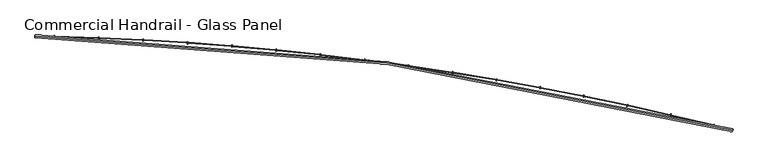
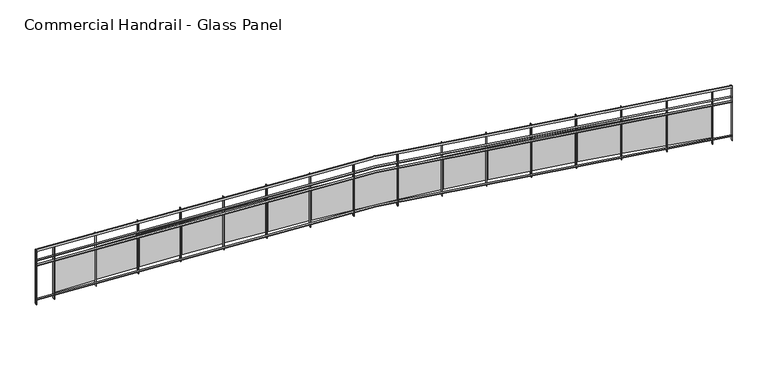
"""IFC4 building model written with IfcOpenShell, lengths in millimetres: railing geometry, Commercial Handrail - Glass Panel."""

from ifc_helpers import new_model, si_unit, point, frame, origin, place, context, project, spatial, polyline, circle_curve, ellipse_curve, trimmed, outline, extrude, source, transform, mapped, element, save
from ifc_brep_helpers import plane_surface, cylinder_surface, revolved_surface, advanced_brep


def commercial_handrail_glass_panel_4a2e8c11(model_context):
    return source(origin(), model_context, "Body", "SolidModel", [
        advanced_brep(
        [(127651.4463587, -32615.5815285, 6082.5), (140199.431702, -34306.4790783, 6082.5), (140199.431702, -34306.4790783, 6117.5), (127651.4463587, -32615.5815285, 6117.5)],
        [
            (0, 1, circle_curve(frame((126699.3049554, -87085.4645407, 6082.5), z_axis=(0.0, 0.0, -1.0), x_axis=(0.24780785186476648, 0.9688092013158061, 0.0)), 54478.2041611)),
            (1, 2, ellipse_curve(frame((140199.431702, -34306.4790783, 6100.0), z_axis=(-0.9688092013158076, 0.2478078518647603, 0.0), x_axis=(0.2478078518647603, 0.9688092013158076, 0.0)), 25.0, 17.5)),
            (2, 3, circle_curve(frame((126699.3049554, -87085.4645407, 6117.5), z_axis=(0.0, 0.0, 1.0), x_axis=(0.24780785186476648, 0.9688092013158061, 0.0)), 54478.2041611)),
            (3, 0, ellipse_curve(frame((127651.4463587, -32615.5815285, 6100.0), z_axis=(0.9998472572840302, -0.017477474119629965, 0.0), x_axis=(0.017477474119629965, 0.9998472572840302, 0.0)), 25.0, 17.5)),
            (2, 1, ellipse_curve(frame((140199.431702, -34306.4790783, 6100.0), z_axis=(-0.9688092013158076, 0.2478078518647603, 0.0), x_axis=(0.2478078518647603, 0.9688092013158076, 0.0)), 25.0, 17.5)),
            (0, 3, ellipse_curve(frame((127651.4463587, -32615.5815285, 6100.0), z_axis=(0.9998472572840302, -0.017477474119629965, 0.0), x_axis=(0.017477474119629965, 0.9998472572840302, 0.0)), 25.0, 17.5)),
        ],
        [
            revolved_surface(trimmed(ellipse_curve(frame((140199.431702, -34306.4790783, 6100.0), z_axis=(0.9688092013158061, -0.24780785186476648, 0.0), x_axis=(0.0, 0.0, -1.0)), 17.5, 25.0), [point((140199.431702, -34306.4790783, 6117.5))], [point((140199.431702, -34306.4790783, 6082.5))], True, "CARTESIAN"), (126699.3049554, -87085.4645407, 6100.0), (0.0, 0.0, 1.0)),
            revolved_surface(trimmed(ellipse_curve(frame((140199.431702, -34306.4790783, 6100.0), z_axis=(0.9688092013158061, -0.24780785186476648, 0.0), x_axis=(0.0, 0.0, -1.0)), 17.5, 25.0), [point((140199.431702, -34306.4790783, 6082.5))], [point((140199.431702, -34306.4790783, 6117.5))], True, "CARTESIAN"), (126699.3049554, -87085.4645407, 6100.0), (0.0, 0.0, 1.0)),
            plane_surface(frame((140199.431702, -34306.4790783, 6100.0), z_axis=(0.9688092013158061, -0.24780785186476648, 0.0), x_axis=(0.24780785186476648, 0.9688092013158061, 0.0))),
            plane_surface(frame((127651.4463587, -32615.5815285, 6100.0), z_axis=(-0.9998472572840302, 0.01747747411963012, 0.0), x_axis=(0.01747747411963012, 0.9998472572840302, 0.0))),
        ],
        [
            (0, [[1, 2, 3, 4]]),
            (1, [[-3, 5, -1, 6]]),
            (2, [[-2, -5]]),
            (3, [[-6, -4]]),
        ],
    ),
        advanced_brep(
        [(127651.0531155, -32638.0780917, 5900.0), (140193.8560253, -34328.2772853, 5900.0), (140205.0073787, -34284.6808712, 5900.0), (127651.8396019, -32593.0849652, 5900.0), (127651.0531155, -32638.0780917, 5894.0), (140193.8560253, -34328.2772853, 5894.0), (127651.8396019, -32593.0849652, 5894.0), (140205.0073787, -34284.6808712, 5894.0)],
        [
            (0, 1, circle_curve(frame((126699.3049554, -87085.4645407, 5900.0), z_axis=(0.0, 0.0, -1.0), x_axis=(0.24780785186476648, 0.9688092013158061, 0.0)), 54455.7041611)),
            (1, 2),
            (2, 3, circle_curve(frame((126699.3049554, -87085.4645407, 5900.0), z_axis=(0.0, 0.0, 1.0), x_axis=(0.24780785186476648, 0.9688092013158061, 0.0)), 54500.7041611)),
            (3, 0),
            (4, 5, circle_curve(frame((126699.3049554, -87085.4645407, 5894.0), z_axis=(0.0, 0.0, -1.0), x_axis=(0.24780785186476648, 0.9688092013158061, 0.0)), 54455.7041611)),
            (5, 1),
            (0, 4),
            (6, 7, circle_curve(frame((126699.3049554, -87085.4645407, 5894.0), z_axis=(0.0, 0.0, -1.0), x_axis=(0.24780785186476648, 0.9688092013158061, 0.0)), 54500.7041611)),
            (7, 5),
            (4, 6),
            (2, 7),
            (6, 3),
        ],
        [
            plane_surface(frame((126699.3049554, -87085.4645407, 5900.0), z_axis=(0.0, 0.0, 1.0000000000000002), x_axis=(0.24780785186476648, 0.9688092013158061, 0.0))),
            revolved_surface(polyline([(140193.85602534542, -34328.2772852949, 5900.0), (140193.85602534542, -34328.2772852949, 5894.0)]), (126699.3049554, -87085.4645407, 5900.0), (0.0, 0.0, 1.0)),
            plane_surface(frame((126699.3049554, -87085.4645407, 5894.0), z_axis=(0.0, 0.0, -1.0000000000000002), x_axis=(0.24780785186476648, 0.9688092013158061, 0.0))),
            cylinder_surface(frame((126699.3049554, -87085.4645407, 5900.0), z_axis=(0.0, 0.0, 1.0), x_axis=(0.24780785186476648, 0.9688092013158061, 0.0)), 54500.7041611),
            plane_surface(frame((140199.431702, -34306.4790783, 5900.0), z_axis=(0.9688092013158061, -0.24780785186476648, 0.0), x_axis=(0.24780785186476648, 0.9688092013158061, 0.0))),
            plane_surface(frame((127651.4463587, -32615.5815285, 5900.0), z_axis=(-0.9998472572840302, 0.01747747411963012, 0.0), x_axis=(0.01747747411963012, 0.9998472572840302, 0.0))),
        ],
        [
            (0, [[1, 2, 3, 4]]),
            (1, [[5, 6, -1, 7]]),
            (2, [[8, 9, -5, 10]]),
            (3, [[-3, 11, -8, 12]]),
            (4, [[-2, -6, -9, -11]]),
            (5, [[-12, -10, -7, -4]]),
        ],
    ),
        advanced_brep(
        [(127651.0531155, -32638.0780917, 5800.0), (140193.8560253, -34328.2772853, 5800.0), (140205.0073787, -34284.6808712, 5800.0), (127651.8396019, -32593.0849652, 5800.0), (127651.0531155, -32638.0780917, 5794.0), (140193.8560253, -34328.2772853, 5794.0), (127651.8396019, -32593.0849652, 5794.0), (140205.0073787, -34284.6808712, 5794.0)],
        [
            (0, 1, circle_curve(frame((126699.3049554, -87085.4645407, 5800.0), z_axis=(0.0, 0.0, -1.0), x_axis=(0.24780785186476648, 0.9688092013158061, 0.0)), 54455.7041611)),
            (1, 2),
            (2, 3, circle_curve(frame((126699.3049554, -87085.4645407, 5800.0), z_axis=(0.0, 0.0, 1.0), x_axis=(0.24780785186476648, 0.9688092013158061, 0.0)), 54500.7041611)),
            (3, 0),
            (4, 5, circle_curve(frame((126699.3049554, -87085.4645407, 5794.0), z_axis=(0.0, 0.0, -1.0), x_axis=(0.24780785186476648, 0.9688092013158061, 0.0)), 54455.7041611)),
            (5, 1),
            (0, 4),
            (6, 7, circle_curve(frame((126699.3049554, -87085.4645407, 5794.0), z_axis=(0.0, 0.0, -1.0), x_axis=(0.24780785186476648, 0.9688092013158061, 0.0)), 54500.7041611)),
            (7, 5),
            (4, 6),
            (2, 7),
            (6, 3),
        ],
        [
            plane_surface(frame((126699.3049554, -87085.4645407, 5800.0), z_axis=(0.0, 0.0, 1.0000000000000002), x_axis=(0.24780785186476648, 0.9688092013158061, 0.0))),
            revolved_surface(polyline([(140193.85602534542, -34328.2772852949, 5800.0), (140193.85602534542, -34328.2772852949, 5794.0)]), (126699.3049554, -87085.4645407, 5800.0), (0.0, 0.0, 1.0)),
            plane_surface(frame((126699.3049554, -87085.4645407, 5794.0), z_axis=(0.0, 0.0, -1.0000000000000002), x_axis=(0.24780785186476648, 0.9688092013158061, 0.0))),
            cylinder_surface(frame((126699.3049554, -87085.4645407, 5800.0), z_axis=(0.0, 0.0, 1.0), x_axis=(0.24780785186476648, 0.9688092013158061, 0.0)), 54500.7041611),
            plane_surface(frame((140199.431702, -34306.4790783, 5800.0), z_axis=(0.9688092013158061, -0.24780785186476648, 0.0), x_axis=(0.24780785186476648, 0.9688092013158061, 0.0))),
            plane_surface(frame((127651.4463587, -32615.5815285, 5800.0), z_axis=(-0.9998472572840302, 0.01747747411963012, 0.0), x_axis=(0.01747747411963012, 0.9998472572840302, 0.0))),
        ],
        [
            (0, [[1, 2, 3, 4]]),
            (1, [[5, 6, -1, 7]]),
            (2, [[8, 9, -5, 10]]),
            (3, [[-3, 11, -8, 12]]),
            (4, [[-2, -6, -9, -11]]),
            (5, [[-12, -10, -7, -4]]),
        ],
    ),
        advanced_brep(
        [(127651.0531155, -32638.0780917, 5100.0), (140193.8560253, -34328.2772853, 5100.0), (140205.0073787, -34284.6808712, 5100.0), (127651.8396019, -32593.0849652, 5100.0), (127651.0531155, -32638.0780917, 5094.0), (140193.8560253, -34328.2772853, 5094.0), (127651.8396019, -32593.0849652, 5094.0), (140205.0073787, -34284.6808712, 5094.0)],
        [
            (0, 1, circle_curve(frame((126699.3049554, -87085.4645407, 5100.0), z_axis=(0.0, 0.0, -1.0), x_axis=(0.24780785186476648, 0.9688092013158061, 0.0)), 54455.7041611)),
            (1, 2),
            (2, 3, circle_curve(frame((126699.3049554, -87085.4645407, 5100.0), z_axis=(0.0, 0.0, 1.0), x_axis=(0.24780785186476648, 0.9688092013158061, 0.0)), 54500.7041611)),
            (3, 0),
            (4, 5, circle_curve(frame((126699.3049554, -87085.4645407, 5094.0), z_axis=(0.0, 0.0, -1.0), x_axis=(0.24780785186476648, 0.9688092013158061, 0.0)), 54455.7041611)),
            (5, 1),
            (0, 4),
            (6, 7, circle_curve(frame((126699.3049554, -87085.4645407, 5094.0), z_axis=(0.0, 0.0, -1.0), x_axis=(0.24780785186476648, 0.9688092013158061, 0.0)), 54500.7041611)),
            (7, 5),
            (4, 6),
            (2, 7),
            (6, 3),
        ],
        [
            plane_surface(frame((126699.3049554, -87085.4645407, 5100.0), z_axis=(0.0, 0.0, 1.0000000000000002), x_axis=(0.24780785186476648, 0.9688092013158061, 0.0))),
            revolved_surface(polyline([(140193.85602534542, -34328.2772852949, 5100.0), (140193.85602534542, -34328.2772852949, 5094.0)]), (126699.3049554, -87085.4645407, 5100.0), (0.0, 0.0, 1.0)),
            plane_surface(frame((126699.3049554, -87085.4645407, 5094.0), z_axis=(0.0, 0.0, -1.0000000000000002), x_axis=(0.24780785186476648, 0.9688092013158061, 0.0))),
            cylinder_surface(frame((126699.3049554, -87085.4645407, 5100.0), z_axis=(0.0, 0.0, 1.0), x_axis=(0.24780785186476648, 0.9688092013158061, 0.0)), 54500.7041611),
            plane_surface(frame((140199.431702, -34306.4790783, 5100.0), z_axis=(0.9688092013158061, -0.24780785186476648, 0.0), x_axis=(0.24780785186476648, 0.9688092013158061, 0.0))),
            plane_surface(frame((127651.4463587, -32615.5815285, 5100.0), z_axis=(-0.9998472572840302, 0.01747747411963012, 0.0), x_axis=(0.01747747411963012, 0.9998472572840302, 0.0))),
        ],
        [
            (0, [[1, 2, 3, 4]]),
            (1, [[5, 6, -1, 7]]),
            (2, [[8, 9, -5, 10]]),
            (3, [[-3, 11, -8, 12]]),
            (4, [[-2, -6, -9, -11]]),
            (5, [[-12, -10, -7, -4]]),
        ],
    ),
        extrude(outline(polyline([(127999.9429631, -32600.2821162), (127998.871532, -32645.2693592), (127992.873233, -32645.1265018), (127993.944664, -32600.1392587), (127999.9429631, -32600.2821162)])), frame((0.0, 0.0, 5000.0), z_axis=(0.0, 0.0, 1.0), x_axis=(1.0, 0.0, 0.0)), (0.0, 0.0, 1.0), 1082.1192282),
        extrude(outline(polyline([(128775.8848547, -32651.5298851), (128016.2536473, -32627.856511), (128016.6274374, -32615.8623341), (128776.2586449, -32639.5357081), (128775.8848547, -32651.5298851)])), frame((0.0, 0.0, 5120.0), z_axis=(0.0, 0.0, 1.0), x_axis=(1.0, 0.0, 0.0)), (0.0, 0.0, 1.0), 660.0),
        extrude(outline(polyline([(128799.8764477, -32625.2555578), (128798.1445285, -32670.2222172), (128792.1489739, -32669.9912946), (128793.8808931, -32625.0246352), (128799.8764477, -32625.2555578)])), frame((0.0, 0.0, 5000.0), z_axis=(0.0, 0.0, 1.0), x_axis=(1.0, 0.0, 0.0)), (0.0, 0.0, 1.0), 1082.1192282),
        extrude(outline(polyline([(129574.982143, -32687.8919213), (128815.7804641, -32653.0664896), (128816.3303393, -32641.0790947), (129575.5320183, -32675.9045264), (129574.982143, -32687.8919213)])), frame((0.0, 0.0, 5120.0), z_axis=(0.0, 0.0, 1.0), x_axis=(1.0, 0.0, 0.0)), (0.0, 0.0, 1.0), 660.0),
        extrude(outline(polyline([(129599.3569679, -32661.9727253), (129596.964934, -32706.9091045), (129590.9734168, -32706.5901666), (129593.3654507, -32661.6537874), (129599.3569679, -32661.9727253)])), frame((0.0, 0.0, 5000.0), z_axis=(0.0, 0.0, 1.0), x_axis=(1.0, 0.0, 0.0)), (0.0, 0.0, 1.0), 1082.1192282),
        extrude(outline(polyline([(130373.4593242, -32735.9841766), (129614.850887, -32690.014197), (129615.5767288, -32678.0361691), (130374.185166, -32724.0061487), (130373.4593242, -32735.9841766)])), frame((0.0, 0.0, 5120.0), z_axis=(0.0, 0.0, 1.0), x_axis=(1.0, 0.0, 0.0)), (0.0, 0.0, 1.0), 660.0),
        extrude(outline(polyline([(130398.2121248, -32710.4257011), (130395.160492, -32755.3221101), (130389.1743042, -32754.9152257), (130392.2259369, -32710.0188167), (130398.2121248, -32710.4257011)])), frame((0.0, 0.0, 5000.0), z_axis=(0.0, 0.0, 1.0), x_axis=(1.0, 0.0, 0.0)), (0.0, 0.0, 1.0), 1082.1192282),
        extrude(outline(polyline([(131171.1442157, -32795.7962805), (130413.2926055, -32738.6916659), (130414.1942573, -32726.7255879), (131172.0458675, -32783.8302025), (131171.1442157, -32795.7962805)])), frame((0.0, 0.0, 5120.0), z_axis=(0.0, 0.0, 1.0), x_axis=(1.0, 0.0, 0.0)), (0.0, 0.0, 1.0), 660.0),
        extrude(outline(polyline([(131196.2696543, -32770.6040368), (131192.5590808, -32815.4507942), (131186.5795131, -32814.956051), (131190.2900867, -32770.1092937), (131196.2696543, -32770.6040368)])), frame((0.0, 0.0, 5000.0), z_axis=(0.0, 0.0, 1.0), x_axis=(1.0, 0.0, 0.0)), (0.0, 0.0, 1.0), 1082.1192282),
        extrude(outline(polyline([(131967.8648058, -32867.3153352), (131210.9334448, -32799.0883995), (131212.0107122, -32787.1368517), (131968.9420732, -32855.3637874), (131967.8648058, -32867.3153352)])), frame((0.0, 0.0, 5120.0), z_axis=(0.0, 0.0, 1.0), x_axis=(1.0, 0.0, 0.0)), (0.0, 0.0, 1.0), 660.0),
        extrude(outline(polyline([(131993.3574644, -32842.4947558), (131988.9887502, -32887.2821908), (131983.0170922, -32886.6996956), (131987.3858064, -32841.9122605), (131993.3574644, -32842.4947558)])), frame((0.0, 0.0, 5000.0), z_axis=(0.0, 0.0, 1.0), x_axis=(1.0, 0.0, 0.0)), (0.0, 0.0, 1.0), 1082.1192282),
        extrude(outline(polyline([(132763.4492907, -32950.5259183), (132007.6014025, -32871.191374), (132008.8540532, -32859.2569336), (132764.7019414, -32938.591478), (132763.4492907, -32950.5259183)])), frame((0.0, 0.0, 5120.0), z_axis=(0.0, 0.0, 1.0), x_axis=(1.0, 0.0, 0.0)), (0.0, 0.0, 1.0), 660.0),
        extrude(outline(polyline([(132789.3036722, -32926.0823555), (132784.2777594, -32970.8008103), (132778.3152988, -32970.1306886), (132783.3412116, -32925.4122338), (132789.3036722, -32926.0823555)])), frame((0.0, 0.0, 5000.0), z_axis=(0.0, 0.0, 1.0), x_axis=(1.0, 0.0, 0.0)), (0.0, 0.0, 1.0), 1082.1192282),
        extrude(outline(polyline([(133557.7261118, -33045.4100865), (132803.1246864, -32954.9850411), (132804.5524503, -32943.0702817), (133559.1538757, -33033.4953272), (133557.7261118, -33045.4100865)])), frame((0.0, 0.0, 5120.0), z_axis=(0.0, 0.0, 1.0), x_axis=(1.0, 0.0, 0.0)), (0.0, 0.0, 1.0), 660.0),
        extrude(outline(polyline([(133583.9366409, -33021.3488112), (133578.2546133, -33065.9886428), (133572.3026358, -33065.2310391), (133577.9846634, -33020.5912075), (133583.9366409, -33021.3488112)])), frame((0.0, 0.0, 5000.0), z_axis=(0.0, 0.0, 1.0), x_axis=(1.0, 0.0, 0.0)), (0.0, 0.0, 1.0), 1082.1192282),
        extrude(outline(polyline([(134350.5239922, -33151.9473791), (133597.3317509, -33050.4513317), (133598.93432, -33038.5588226), (134352.1265613, -33140.05487), (134350.5239922, -33151.9473791)])), frame((0.0, 0.0, 5120.0), z_axis=(0.0, 0.0, 1.0), x_axis=(1.0, 0.0, 0.0)), (0.0, 0.0, 1.0), 660.0),
        extrude(outline(polyline([(134377.085017, -33128.2735799), (134370.7480998, -33172.8251621), (134364.8078888, -33171.9802398), (134371.144806, -33127.4286576), (134377.085017, -33128.2735799)])), frame((0.0, 0.0, 5000.0), z_axis=(0.0, 0.0, 1.0), x_axis=(1.0, 0.0, 0.0)), (0.0, 0.0, 1.0), 1082.1192282),
        extrude(outline(polyline([(135141.671974, -33270.1148225), (134390.0513341, -33157.5696596), (134391.828363, -33145.7019653), (135143.4490029, -33258.2471282), (135141.671974, -33270.1148225)])), frame((0.0, 0.0, 5120.0), z_axis=(0.0, 0.0, 1.0), x_axis=(1.0, 0.0, 0.0)), (0.0, 0.0, 1.0), 660.0),
        extrude(outline(polyline([(135168.5777669, -33246.8336043), (135161.5873266, -33291.2873302), (135155.6601632, -33290.3552715), (135162.6506034, -33245.9015456), (135168.5777669, -33246.8336043)])), frame((0.0, 0.0, 5000.0), z_axis=(0.0, 0.0, 1.0), x_axis=(1.0, 0.0, 0.0)), (0.0, 0.0, 1.0), 1082.1192282),
        extrude(outline(polyline([(135930.9994552, -33399.8869352), (135181.1124952, -33276.3169259), (135183.0636006, -33264.4766055), (135932.9505607, -33388.0466148), (135930.9994552, -33399.8869352)])), frame((0.0, 0.0, 5120.0), z_axis=(0.0, 0.0, 1.0), x_axis=(1.0, 0.0, 0.0)), (0.0, 0.0, 1.0), 660.0),
        extrude(outline(polyline([(135958.2442142, -33377.0033185), (135950.6017583, -33421.3496021), (135944.6889205, -33420.330608), (135952.3313764, -33375.9843244), (135958.2442142, -33377.0033185)])), frame((0.0, 0.0, 5000.0), z_axis=(0.0, 0.0, 1.0), x_axis=(1.0, 0.0, 0.0)), (0.0, 0.0, 1.0), 1082.1192282),
        extrude(outline(polyline([(136718.3362263, -33541.2357335), (135970.3446508, -33406.6675242), (135972.469412, -33394.8571309), (136720.4609875, -33529.4253402), (136718.3362263, -33541.2357335)])), frame((0.0, 0.0, 5120.0), z_axis=(0.0, 0.0, 1.0), x_axis=(1.0, 0.0, 0.0)), (0.0, 0.0, 1.0), 660.0),
        extrude(outline(polyline([(136745.9140764, -33518.7546527), (136737.6212529, -33562.9839312), (136731.7240157, -33561.8782214), (136740.0168393, -33517.6489429), (136745.9140764, -33518.7546527)])), frame((0.0, 0.0, 5000.0), z_axis=(0.0, 0.0, 1.0), x_axis=(1.0, 0.0, 0.0)), (0.0, 0.0, 1.0), 1082.1192282),
        extrude(outline(polyline([(137503.512507, -33694.1307369), (136757.5776119, -33548.5933458), (136759.8755707, -33536.8154264), (137505.8104658, -33682.3528175), (137503.512507, -33694.1307369)])), frame((0.0, 0.0, 5120.0), z_axis=(0.0, 0.0, 1.0), x_axis=(1.0, 0.0, 0.0)), (0.0, 0.0, 1.0), 660.0),
        extrude(outline(polyline([(137531.4175014, -33672.0570399), (137522.4760984, -33716.1597758), (137516.5957336, -33714.9675887), (137525.5371366, -33670.8648528), (137531.4175014, -33672.0570399)])), frame((0.0, 0.0, 5000.0), z_axis=(0.0, 0.0, 1.0), x_axis=(1.0, 0.0, 0.0)), (0.0, 0.0, 1.0), 1082.1192282),
        extrude(outline(polyline([(138286.358983, -33858.5389754), (137542.6416206, -33702.063786), (137545.1122815, -33690.3208803), (138288.8296439, -33846.7960697), (138286.358983, -33858.5389754)])), frame((0.0, 0.0, 5120.0), z_axis=(0.0, 0.0, 1.0), x_axis=(1.0, 0.0, 0.0)), (0.0, 0.0, 1.0), 660.0),
        extrude(outline(polyline([(138314.5851042, -33836.8774222), (138304.99705, -33880.8441052), (138299.1348256, -33879.5656979), (138308.7228798, -33835.5990149), (138314.5851042, -33836.8774222)])), frame((0.0, 0.0, 5000.0), z_axis=(0.0, 0.0, 1.0), x_axis=(1.0, 0.0, 0.0)), (0.0, 0.0, 1.0), 1082.1192282),
        extrude(outline(polyline([(139066.7068423, -34034.4249963), (138325.3673869, -33867.0457507), (138328.0102171, -33855.3403909), (139069.3496725, -34022.7196365), (139066.7068423, -34034.4249963)])), frame((0.0, 0.0, 5120.0), z_axis=(0.0, 0.0, 1.0), x_axis=(1.0, 0.0, 0.0)), (0.0, 0.0, 1.0), 660.0),
        extrude(outline(polyline([(139095.2480037, -34013.1802579), (139085.0153658, -34057.0014071), (139079.1725459, -34055.6370554), (139089.4051838, -34011.8159061), (139095.2480037, -34013.1802579)])), frame((0.0, 0.0, 5000.0), z_axis=(0.0, 0.0, 1.0), x_axis=(1.0, 0.0, 0.0)), (0.0, 0.0, 1.0), 1082.1192282),
        extrude(outline(polyline([(139844.3878118, -34221.7508718), (139105.5861248, -34043.5036633), (139108.4005544, -34031.8383735), (139847.2022414, -34210.085582), (139844.3878118, -34221.7508718)])), frame((0.0, 0.0, 5120.0), z_axis=(0.0, 0.0, 1.0), x_axis=(1.0, 0.0, 0.0)), (0.0, 0.0, 1.0), 660.0),
        extrude(outline(polyline([(139873.2378588, -34200.9275293), (139862.3628437, -34244.5936952), (139856.5406882, -34243.1436932), (139867.4157033, -34199.4775273), (139873.2378588, -34200.9275293)])), frame((0.0, 0.0, 5000.0), z_axis=(0.0, 0.0, 1.0), x_axis=(1.0, 0.0, 0.0)), (0.0, 0.0, 1.0), 1082.1192282),
        extrude(outline(polyline([(127654.8391437, -32593.1373976), (127654.0526573, -32638.1305242), (127648.0535738, -32638.0256593), (127648.8400601, -32593.0325327), (127654.8391437, -32593.1373976)])), frame((0.0, 0.0, 5000.0), z_axis=(0.0, 0.0, 1.0), x_axis=(1.0, 0.0, 0.0)), (0.0, 0.0, 1.0), 1082.1192282),
        extrude(outline(polyline([(140207.9138063, -34285.4242948), (140196.7624529, -34329.0207088), (140190.9495977, -34327.5338617), (140202.1009511, -34283.9374477), (140207.9138063, -34285.4242948)])), frame((0.0, 0.0, 5000.0), z_axis=(0.0, 0.0, 1.0), x_axis=(1.0, 0.0, 0.0)), (0.0, 0.0, 1.0), 1082.1192282),
    ])


if __name__ == "__main__":
    model = new_model("IFC4")
    model_context = context("Model", 3, world=origin())
    ifc_project = project(units=[si_unit("LENGTHUNIT", "METRE", prefix="MILLI")], contexts=[model_context])
    site = spatial("IfcSite", under=ifc_project)
    building = spatial("IfcBuilding", under=site)
    placement = place(None, origin())
    commercial_handrail_glass_panel_shape = commercial_handrail_glass_panel_4a2e8c11(model_context)
    element("IfcRailing", 1, ObjectType="Commercial Handrail - Glass Panel", at=placement, inside=building, context=model_context, shape_type="MappedRepresentation", body=[
        mapped(commercial_handrail_glass_panel_shape, transform((0.0, 0.0, 0.0), x_axis=(1.0, 0.0, 0.0), y_axis=(0.0, 1.0, 0.0), z_axis=(0.0, 0.0, 1.0))),
    ])
    save(model, "model.ifc")
